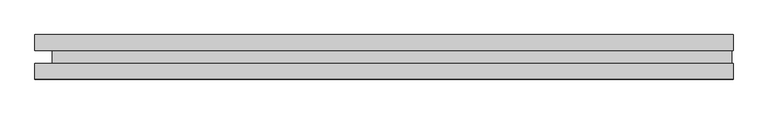
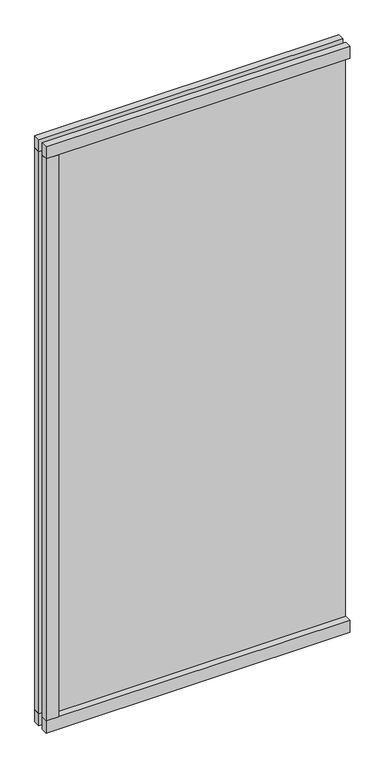
"""IFC4 building model written with IfcOpenShell, lengths in millimetres: plate geometry."""

from ifc_helpers import new_model, si_unit, frame, origin, origin_with_axes, place, context, project, spatial, polyline, outline, extrude, source, transform, mapped, element, save


def plate_8535fc0f(model_context):
    return source(origin(), model_context, "Body", "SweptSolid", [
        extrude(outline(polyline([(-706.878037, 45.0), (-646.878037, 45.0), (-646.878037, 13.0), (-706.878037, 13.0), (-706.878037, 45.0)])), frame((0.0, 0.0, 60.0), z_axis=(0.0, 0.0, 1.0), x_axis=(1.0, 0.0, 0.0)), (0.0, 0.0, 1.0), 2765.0),
        extrude(outline(polyline([(-646.878037, -13.0), (-646.878037, -45.0), (-706.878037, -45.0), (-706.878037, -13.0), (-646.878037, -13.0)])), frame((0.0, 0.0, 60.0), z_axis=(0.0, 0.0, 1.0), x_axis=(1.0, 0.0, 0.0)), (0.0, 0.0, 1.0), 2765.0),
        extrude(outline(polyline([(709.378037, -13.0), (709.378037, -45.0), (-706.878037, -45.0), (-706.878037, -13.0), (709.378037, -13.0)])), origin_with_axes(), (0.0, 0.0, 1.0), 60.0),
        extrude(outline(polyline([(709.378037, 45.0), (709.378037, 13.0), (-706.878037, 13.0), (-706.878037, 45.0), (709.378037, 45.0)])), origin_with_axes(), (0.0, 0.0, 1.0), 60.0),
        extrude(outline(polyline([(709.378037, -13.0), (709.378037, -45.0), (-706.878037, -45.0), (-706.878037, -13.0), (709.378037, -13.0)])), frame((0.0, 0.0, 2825.0), z_axis=(0.0, 0.0, 1.0), x_axis=(1.0, 0.0, 0.0)), (0.0, 0.0, 1.0), 60.0),
        extrude(outline(polyline([(709.378037, 45.0), (709.378037, 13.0), (-706.878037, 13.0), (-706.878037, 45.0), (709.378037, 45.0)])), frame((0.0, 0.0, 2825.0), z_axis=(0.0, 0.0, 1.0), x_axis=(1.0, 0.0, 0.0)), (0.0, 0.0, 1.0), 60.0),
        extrude(outline(polyline([(706.878037, -13.0), (-671.378037, -13.0), (-671.378037, 13.0), (706.878037, 13.0), (706.878037, -13.0)])), frame((0.0, 0.0, 28.0), z_axis=(0.0, 0.0, 1.0), x_axis=(1.0, 0.0, 0.0)), (0.0, 0.0, 1.0), 2829.0),
    ])


if __name__ == "__main__":
    model = new_model("IFC4")
    model_context = context("Model", 3, world=origin())
    ifc_project = project(units=[si_unit("LENGTHUNIT", "METRE", prefix="MILLI")], contexts=[model_context])
    site = spatial("IfcSite", under=ifc_project)
    building = spatial("IfcBuilding", under=site)
    placement = place(None, origin())
    plate_shape = plate_8535fc0f(model_context)
    element("IfcPlate", 1, at=placement, inside=building, context=model_context, shape_type="MappedRepresentation", body=[
        mapped(plate_shape, transform((0.0, 0.0, 0.0), x_axis=(1.0, 0.0, 0.0), y_axis=(0.0, 1.0, 0.0), z_axis=(0.0, 0.0, 1.0))),
    ])
    save(model, "model.ifc")
